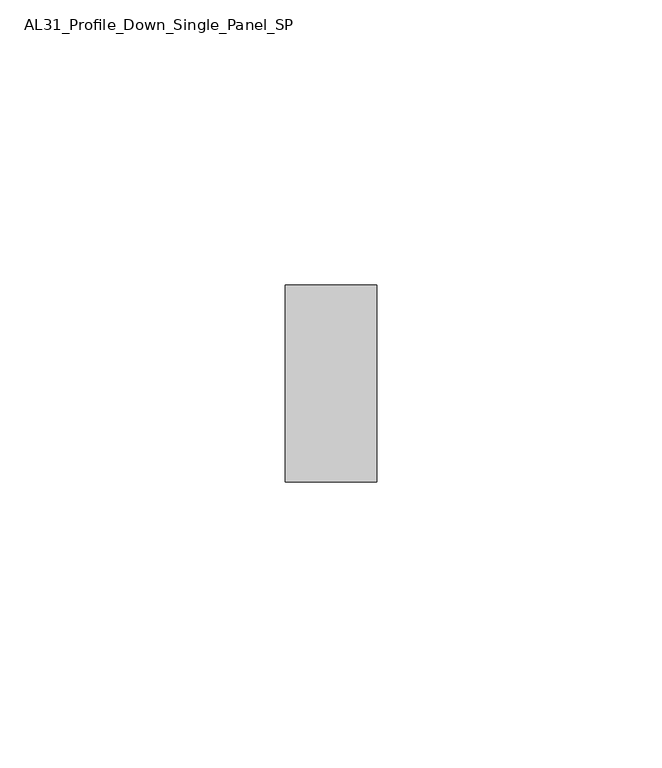
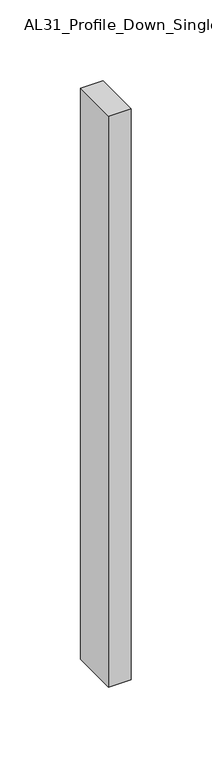
"""IFC4 building model written with IfcOpenShell, lengths in millimetres: member geometry, AL31_Profile_Down_Single_Panel_SP."""

from ifc_helpers import new_model, si_unit, frame, origin, place, context, project, spatial, polyline, outline, extrude, source, transform, mapped, element, save


def al31_profile_down_single_panel_sp_1b1f1f9f(model_context):
    return source(origin(), model_context, "Body", "SweptSolid", [
        extrude(outline(polyline([(0.0, 17.25), (0.0, -17.25), (-16.0, -17.25), (-16.0, 17.25), (0.0, 17.25)])), frame((0.0, 0.0, -430.4631347), z_axis=(0.0, 0.0, 1.0), x_axis=(1.0, 0.0, 0.0)), (0.0, 0.0, 1.0), 430.4631347),
    ])


if __name__ == "__main__":
    model = new_model("IFC4")
    model_context = context("Model", 3, world=origin())
    ifc_project = project(units=[si_unit("LENGTHUNIT", "METRE", prefix="MILLI")], contexts=[model_context])
    site = spatial("IfcSite", under=ifc_project)
    building = spatial("IfcBuilding", under=site)
    placement = place(None, origin())
    al31_profile_down_single_panel_sp_shape = al31_profile_down_single_panel_sp_1b1f1f9f(model_context)
    element("IfcMember", 1, ObjectType="AL31_Profile_Down_Single_Panel_SP", at=placement, inside=building, context=model_context, shape_type="MappedRepresentation", body=[
        mapped(al31_profile_down_single_panel_sp_shape, transform((0.0, 0.0, 0.0), x_axis=(1.0, 0.0, 0.0), y_axis=(0.0, 1.0, 0.0), z_axis=(0.0, 0.0, 1.0))),
    ])
    save(model, "model.ifc")
